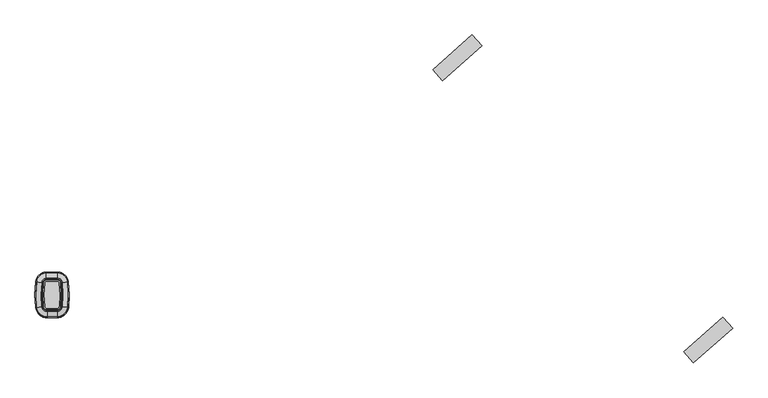
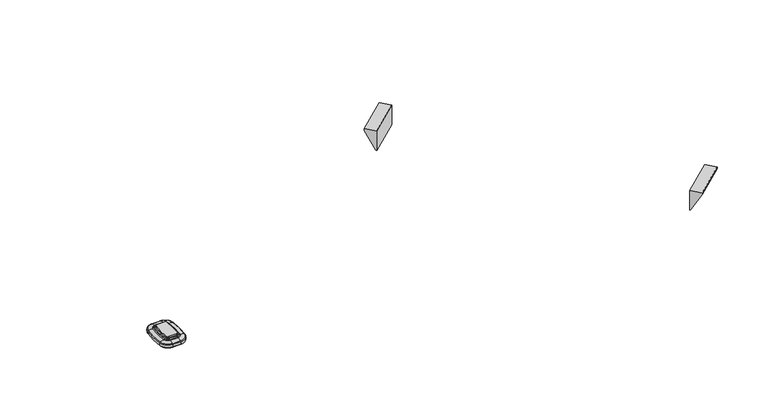
"""IFC4 building model written with IfcOpenShell, lengths in millimetres: furniture geometry."""

from ifc_helpers import new_model, si_unit, point, frame, frame_2d, origin, place, context, project, spatial, polyline, circle_curve, ellipse_curve, trimmed, segment, composite_curve, outline, extrude, source, transform, mapped, element, save
from ifc_brep_helpers import plane_surface, cylinder_surface, revolved_surface, advanced_brep


def furniture_e7726ca4(model_context):
    return source(origin(), model_context, "Body", "SolidModel", [
        extrude(outline(composite_curve([segment(trimmed(circle_curve(frame_2d((110.8919328, 22.1517971)), 199.9006328), [point((309.4794932, 45.0263214))], [point((309.691328, 1.1979559))], False, "CARTESIAN"), True, "CONTINUOUS"), segment(trimmed(circle_curve(frame_2d((305.902317, 1.597325)), 3.81), [point((309.691328, 1.1979559))], [point((305.902317, -2.212675))], False, "CARTESIAN"), True, "CONTINUOUS"), segment(polyline([(305.902317, -2.212675), (287.3891171, -2.212675)]), True, "CONTINUOUS"), segment(trimmed(circle_curve(frame_2d((287.3891171, 1.597325)), 3.81), [point((287.3891171, -2.212675))], [point((283.6001061, 1.1979559))], False, "CARTESIAN"), True, "CONTINUOUS"), segment(trimmed(circle_curve(frame_2d((482.3995013, 22.1517971)), 199.9006328), [point((283.6001061, 1.1979559))], [point((283.8119409, 45.0263214))], False, "CARTESIAN"), True, "CONTINUOUS"), segment(trimmed(circle_curve(frame_2d((286.3352566, 44.7356705)), 2.54), [point((283.8119409, 45.0263214))], [point((286.3352566, 47.2756705))], False, "CARTESIAN"), True, "CONTINUOUS"), segment(polyline([(286.3352566, 47.2756705), (306.9561775, 47.2756705)]), True, "CONTINUOUS"), segment(trimmed(circle_curve(frame_2d((306.9561775, 44.7356705)), 2.54), [point((306.9561775, 47.2756705))], [point((309.4794932, 45.0263214))], False, "CARTESIAN"), True, "CONTINUOUS")], self_intersect=False)), frame((0.0, 0.0, 672.8119265), z_axis=(0.0, 0.0, 1.0), x_axis=(1.0, 0.0, 0.0)), (0.0, 0.0, 1.0), 2.9994778),
        advanced_brep(
        [(306.9561775, 47.2756705, 656.31195), (309.4794932, 45.0263214, 656.31195), (309.4794932, 45.0263214, 672.8119265), (306.9561775, 47.2756705, 672.8119265), (306.9561775, 61.6387682, 658.0812486), (323.748245, 46.6698831, 658.0812486), (312.6507105, 45.3916015, 656.31195), (306.9561775, 50.4678562, 656.31195), (306.9561775, 63.9666749, 659.6109063), (326.0608606, 46.9362643, 659.6109063), (306.9561775, 64.8299386, 666.6416248), (326.9184538, 47.0350471, 666.6416248), (306.9561775, 63.4036717, 667.9423206), (325.5015555, 46.8718401, 667.9423206), (306.9561775, 54.0448489, 670.0447158), (316.2042074, 45.8009149, 670.0447158), (306.9561775, 52.2008481, 670.9842812), (314.372319, 45.5899069, 670.9842812), (306.9561775, 50.4678562, 672.8119265), (312.6507105, 45.3916015, 672.8119265), (286.3352566, 47.2756705, 672.8119265), (286.3352566, 47.2756705, 656.31195), (286.3352566, 50.4678562, 656.31195), (286.3352566, 61.6387682, 658.0812486), (286.3352566, 63.9666749, 659.6109063), (286.3352566, 64.8299386, 666.6416248), (286.3352566, 63.4036717, 667.9423206), (286.3352566, 54.0448489, 670.0447158), (286.3352566, 52.2008481, 670.9842812), (286.3352566, 50.4678562, 672.8119265), (283.8119409, 45.0263214, 656.31195), (283.8119409, 45.0263214, 672.8119265), (269.5431891, 46.6698831, 658.0812486), (280.6407236, 45.3916015, 656.31195), (267.2305735, 46.9362643, 659.6109063), (266.3729803, 47.0350471, 666.6416248), (267.7898786, 46.8718401, 667.9423206), (277.0872267, 45.8009149, 670.0447158), (278.9191151, 45.5899069, 670.9842812), (280.6407236, 45.3916015, 672.8119265), (283.6001061, 1.1979559, 656.31195), (283.6001061, 1.1979559, 672.8119265), (269.3161337, -0.3076025, 658.0812486), (280.425506, 0.8633469, 656.31195), (267.0010512, -0.5516166, 659.6109063), (266.1425432, -0.6421051, 666.6416248), (267.5609529, -0.4926019, 667.9423206), (276.8682186, 0.4884019, 670.0447158), (278.702061, 0.6816924, 670.9842812), (280.425506, 0.8633469, 672.8119265), (287.3891171, -2.212675, 656.31195), (287.3891171, -2.212675, 672.8119265), (287.3891171, -16.5757727, 658.0812486), (287.3891171, -5.4048607, 656.31195), (287.3891171, -18.9036794, 659.6109063), (287.3891171, -19.7669431, 666.6416248), (287.3891171, -18.3406761, 667.9423206), (287.3891171, -8.9818534, 670.0447158), (287.3891171, -7.1378525, 670.9842812), (287.3891171, -5.4048607, 672.8119265), (305.902317, -2.212675, 672.8119265), (305.902317, -2.212675, 656.31195), (305.902317, -5.4048607, 656.31195), (305.902317, -16.5757727, 658.0812486), (305.902317, -18.9036794, 659.6109063), (305.902317, -19.7669431, 666.6416248), (305.902317, -18.3406761, 667.9423206), (305.902317, -8.9818534, 670.0447158), (305.902317, -7.1378525, 670.9842812), (305.902317, -5.4048607, 672.8119265), (309.691328, 1.1979559, 656.31195), (309.691328, 1.1979559, 672.8119265), (323.9753005, -0.3076025, 658.0812486), (312.8659281, 0.8633469, 656.31195), (326.2903829, -0.5516166, 659.6109063), (327.1488909, -0.6421051, 666.6416248), (325.7304812, -0.4926019, 667.9423206), (316.4232155, 0.4884019, 670.0447158), (314.5893731, 0.6816924, 670.9842812), (312.8659281, 0.8633469, 672.8119265)],
        [
            (0, 1, circle_curve(frame((306.9561775, 44.7356705, 656.31195), z_axis=(0.0, 0.0, -1.0), x_axis=(0.9934313742949109, 0.11442947420365396, 0.0)), 2.54)),
            (1, 2),
            (2, 3, circle_curve(frame((306.9561775, 44.7356705, 672.8119265), z_axis=(0.0, 0.0, 1.0), x_axis=(0.9934313742949109, 0.11442947420365396, 0.0)), 2.54)),
            (3, 0),
            (4, 5, circle_curve(frame((306.9561775, 44.7356705, 658.0812486), z_axis=(0.0, 0.0, -1.0), x_axis=(0.9934313742949109, 0.11442947420365396, 0.0)), 16.9030977)),
            (5, 6, circle_curve(frame((312.6507105, 45.3916015, 692.4617807), z_axis=(-0.11442947420363782, 0.9934313742949128, 0.0), x_axis=(-0.9934313742949128, -0.11442947420363782, 0.0)), 36.1498307)),
            (6, 7, circle_curve(frame((306.9561775, 44.7356705, 656.31195), z_axis=(0.0, 0.0, 1.0), x_axis=(0.9934313742949109, 0.11442947420365396, 0.0)), 5.7321856)),
            (7, 4, circle_curve(frame((306.9561775, 50.4678562, 692.4617807), z_axis=(1.0, 0.0, 0.0), x_axis=(0.0, -1.0, 0.0)), 36.1498307)),
            (8, 9, circle_curve(frame((306.9561775, 44.7356705, 659.6109063), z_axis=(0.0, 0.0, -1.0), x_axis=(0.9934313742949109, 0.11442947420365396, 0.0)), 19.2310044)),
            (9, 5, circle_curve(frame((322.1288386, 46.48335, 663.0982238), z_axis=(-0.11442947420363782, 0.9934313742949128, 0.0), x_axis=(-0.9934313742949128, -0.11442947420363782, 0.0)), 5.2751599)),
            (4, 8, circle_curve(frame((306.9561775, 60.0086542, 663.0982238), z_axis=(1.0, 0.0, 0.0), x_axis=(0.0, -1.0, 0.0)), 5.2751599)),
            (10, 11, circle_curve(frame((306.9561775, 44.7356705, 666.6416248), z_axis=(0.0, 0.0, -1.0), x_axis=(0.9934313742949109, 0.11442947420365396, 0.0)), 20.0942681)),
            (11, 9, circle_curve(frame((313.9320465, 45.5391936, 664.6783413), z_axis=(-0.11442947420363782, 0.9934313742949128, 0.0), x_axis=(-0.9934313742949128, -0.11442947420363782, 0.0)), 13.2188817)),
            (8, 10, circle_curve(frame((306.9561775, 51.7576644, 664.6783413), z_axis=(1.0, 0.0, 0.0), x_axis=(0.0, -1.0, 0.0)), 13.2188817)),
            (12, 13, circle_curve(frame((306.9561775, 44.7356705, 667.9423206), z_axis=(0.0, 0.0, -1.0), x_axis=(0.9934313742949109, 0.11442947420365396, 0.0)), 18.6680011)),
            (13, 11, circle_curve(frame((324.2281502, 46.7251615, 665.1044178), z_axis=(-0.11442947420363782, 0.9934313742949128, 0.0), x_axis=(-0.9934313742949128, -0.11442947420363782, 0.0)), 3.1139634)),
            (10, 12, circle_curve(frame((306.9561775, 62.1218465, 665.1044178), z_axis=(1.0, 0.0, 0.0), x_axis=(0.0, -1.0, 0.0)), 3.1139634)),
            (14, 15, circle_curve(frame((306.9561775, 44.7356705, 670.0447158), z_axis=(0.0, 0.0, -1.0), x_axis=(0.9934313742949109, 0.11442947420365396, 0.0)), 9.3091784)),
            (15, 13, circle_curve(frame((315.7865162, 45.7528027, 646.2914467), z_axis=(-0.11442947420363782, 0.9934313742949128, 0.0), x_axis=(-0.9934313742949128, -0.11442947420363782, 0.0)), 23.7569901)),
            (12, 14, circle_curve(frame((306.9561775, 53.624396, 646.2914467), z_axis=(1.0, 0.0, 0.0), x_axis=(0.0, -1.0, 0.0)), 23.7569901)),
            (16, 17, circle_curve(frame((306.9561775, 44.7356705, 670.9842812), z_axis=(0.0, 0.0, -1.0), x_axis=(0.9934313742949109, 0.11442947420365396, 0.0)), 7.4651775)),
            (17, 15),
            (14, 16),
            (18, 19, circle_curve(frame((306.9561775, 44.7356705, 672.8119265), z_axis=(0.0, 0.0, -1.0), x_axis=(0.9934313742949109, 0.11442947420365396, 0.0)), 5.7321856)),
            (19, 17),
            (16, 18),
            (3, 20),
            (20, 21),
            (21, 0),
            (7, 22),
            (22, 23, circle_curve(frame((286.3352566, 50.4678562, 692.4617807), z_axis=(1.0, 0.0, 0.0), x_axis=(0.0, -1.0, 0.0)), 36.1498307)),
            (23, 4),
            (23, 24, circle_curve(frame((286.3352566, 60.0086542, 663.0982238), z_axis=(1.0, 0.0, 0.0), x_axis=(0.0, -1.0, 0.0)), 5.2751599)),
            (24, 8),
            (24, 25, circle_curve(frame((286.3352566, 51.7576644, 664.6783413), z_axis=(1.0, 0.0, 0.0), x_axis=(0.0, -1.0, 0.0)), 13.2188817)),
            (25, 10),
            (25, 26, circle_curve(frame((286.3352566, 62.1218465, 665.1044178), z_axis=(1.0, 0.0, 0.0), x_axis=(0.0, -1.0, 0.0)), 3.1139634)),
            (26, 12),
            (26, 27, circle_curve(frame((286.3352566, 53.624396, 646.2914467), z_axis=(1.0, 0.0, 0.0), x_axis=(0.0, -1.0, 0.0)), 23.7569901)),
            (27, 14),
            (27, 28),
            (28, 16),
            (28, 29),
            (29, 18),
            (30, 21, circle_curve(frame((286.3352566, 44.7356705, 656.31195), z_axis=(0.0, 0.0, -1.0), x_axis=(0.0, 1.0, 0.0)), 2.54)),
            (20, 31, circle_curve(frame((286.3352566, 44.7356705, 672.8119265), z_axis=(0.0, 0.0, 1.0), x_axis=(0.0, 1.0, 0.0)), 2.54)),
            (31, 30),
            (32, 23, circle_curve(frame((286.3352566, 44.7356705, 658.0812486), z_axis=(0.0, 0.0, -1.0), x_axis=(0.0, 1.0, 0.0)), 16.9030977)),
            (22, 33, circle_curve(frame((286.3352566, 44.7356705, 656.31195), z_axis=(0.0, 0.0, 1.0), x_axis=(0.0, 1.0, 0.0)), 5.7321856)),
            (33, 32, circle_curve(frame((280.6407236, 45.3916015, 692.4617807), z_axis=(0.1144294742036696, 0.993431374294909, 0.0), x_axis=(0.993431374294909, -0.1144294742036696, 0.0)), 36.1498307)),
            (34, 24, circle_curve(frame((286.3352566, 44.7356705, 659.6109063), z_axis=(0.0, 0.0, -1.0), x_axis=(0.0, 1.0, 0.0)), 19.2310044)),
            (32, 34, circle_curve(frame((271.1625955, 46.48335, 663.0982238), z_axis=(0.11442947420366893, 0.9934313742949091, 0.0), x_axis=(0.9934313742949091, -0.11442947420366893, 0.0)), 5.2751599)),
            (35, 25, circle_curve(frame((286.3352566, 44.7356705, 666.6416248), z_axis=(0.0, 0.0, -1.0), x_axis=(0.0, 1.0, 0.0)), 20.0942681)),
            (34, 35, circle_curve(frame((279.3593876, 45.5391936, 664.6783413), z_axis=(0.11442947420366871, 0.9934313742949091, 0.0), x_axis=(0.9934313742949091, -0.11442947420366871, 0.0)), 13.2188817)),
            (36, 26, circle_curve(frame((286.3352566, 44.7356705, 667.9423206), z_axis=(0.0, 0.0, -1.0), x_axis=(0.0, 1.0, 0.0)), 18.6680011)),
            (35, 36, circle_curve(frame((269.0632839, 46.7251615, 665.1044178), z_axis=(0.11442947420366871, 0.9934313742949091, 0.0), x_axis=(0.9934313742949091, -0.11442947420366871, 0.0)), 3.1139634)),
            (37, 27, circle_curve(frame((286.3352566, 44.7356705, 670.0447158), z_axis=(0.0, 0.0, -1.0), x_axis=(0.0, 1.0, 0.0)), 9.3091784)),
            (36, 37, circle_curve(frame((277.5049179, 45.7528027, 646.2914467), z_axis=(0.11442947420366871, 0.9934313742949091, 0.0), x_axis=(0.9934313742949091, -0.11442947420366871, 0.0)), 23.7569901)),
            (38, 28, circle_curve(frame((286.3352566, 44.7356705, 670.9842812), z_axis=(0.0, 0.0, -1.0), x_axis=(0.0, 1.0, 0.0)), 7.4651775)),
            (37, 38),
            (39, 29, circle_curve(frame((286.3352566, 44.7356705, 672.8119265), z_axis=(0.0, 0.0, -1.0), x_axis=(0.0, 1.0, 0.0)), 5.7321856)),
            (38, 39),
            (40, 30, circle_curve(frame((482.3995013, 22.1517971, 656.31195), z_axis=(0.0, 0.0, -1.0), x_axis=(-0.9934313742949111, 0.11442947420365215, 0.0)), 199.9006328)),
            (31, 41, circle_curve(frame((482.3995013, 22.1517971, 672.8119265), z_axis=(0.0, 0.0, 1.0), x_axis=(-0.9934313742949111, 0.11442947420365215, 0.0)), 199.9006328)),
            (41, 40),
            (42, 32, circle_curve(frame((482.3995013, 22.1517971, 658.0812486), z_axis=(0.0, 0.0, -1.0), x_axis=(-0.9934313742949111, 0.11442947420365215, 0.0)), 214.2637305)),
            (33, 43, circle_curve(frame((482.3995013, 22.1517971, 656.31195), z_axis=(0.0, 0.0, 1.0), x_axis=(-0.9934313742949111, 0.11442947420365215, 0.0)), 203.0928185)),
            (43, 42, circle_curve(frame((280.425506, 0.8633469, 692.4617807), z_axis=(-0.10482128506195004, 0.9944910749714959, 0.0), x_axis=(0.9944910749714959, 0.10482128506195004, 0.0)), 36.1498307)),
            (44, 34, circle_curve(frame((482.3995013, 22.1517971, 659.6109063), z_axis=(0.0, 0.0, -1.0), x_axis=(-0.9934313742949111, 0.11442947420365215, 0.0)), 216.5916372)),
            (42, 44, circle_curve(frame((270.9372675, -0.1367318, 663.0982238), z_axis=(-0.10482128506193344, 0.9944910749714977, 0.0), x_axis=(0.9944910749714977, 0.10482128506193344, 0.0)), 5.2751599)),
            (45, 35, circle_curve(frame((482.3995013, 22.1517971, 666.6416248), z_axis=(0.0, 0.0, -1.0), x_axis=(-0.9934313742949111, 0.11442947420365215, 0.0)), 217.4549009)),
            (44, 45, circle_curve(frame((279.1428032, 0.7281475, 664.6783413), z_axis=(-0.10482128506193016, 0.994491074971498, 0.0), x_axis=(0.994491074971498, 0.10482128506193016, 0.0)), 13.2188817)),
            (46, 36, circle_curve(frame((482.3995013, 22.1517971, 667.9423206), z_axis=(0.0, 0.0, -1.0), x_axis=(-0.9934313742949111, 0.11442947420365215, 0.0)), 216.0286339)),
            (45, 46, circle_curve(frame((268.8357166, -0.3582394, 665.1044178), z_axis=(-0.10482128506192903, 0.9944910749714981, 0.0), x_axis=(0.9944910749714981, 0.10482128506192903, 0.0)), 3.1139634)),
            (47, 37, circle_curve(frame((482.3995013, 22.1517971, 670.0447158), z_axis=(0.0, 0.0, -1.0), x_axis=(-0.9934313742949111, 0.11442947420365215, 0.0)), 206.6698112)),
            (46, 47, circle_curve(frame((277.2863554, 0.5324743, 646.2914467), z_axis=(-0.10482128506193096, 0.994491074971498, 0.0), x_axis=(0.994491074971498, 0.10482128506193096, 0.0)), 23.7569901)),
            (48, 38, circle_curve(frame((482.3995013, 22.1517971, 670.9842812), z_axis=(0.0, 0.0, -1.0), x_axis=(-0.9934313742949111, 0.11442947420365215, 0.0)), 204.8258103)),
            (47, 48),
            (49, 39, circle_curve(frame((482.3995013, 22.1517971, 672.8119265), z_axis=(0.0, 0.0, -1.0), x_axis=(-0.9934313742949111, 0.11442947420365215, 0.0)), 203.0928185)),
            (48, 49),
            (50, 40, circle_curve(frame((287.3891171, 1.597325, 656.31195), z_axis=(0.0, 0.0, -1.0), x_axis=(-0.9944910749715277, -0.1048212850616482, 0.0)), 3.81)),
            (41, 51, circle_curve(frame((287.3891171, 1.597325, 672.8119265), z_axis=(0.0, 0.0, 1.0), x_axis=(-0.9944910749715277, -0.1048212850616482, 0.0)), 3.81)),
            (51, 50),
            (52, 42, circle_curve(frame((287.3891171, 1.597325, 658.0812486), z_axis=(0.0, 0.0, -1.0), x_axis=(-0.9944910749715277, -0.1048212850616482, 0.0)), 18.1730977)),
            (43, 53, circle_curve(frame((287.3891171, 1.597325, 656.31195), z_axis=(0.0, 0.0, 1.0), x_axis=(-0.9944910749715277, -0.1048212850616482, 0.0)), 7.0021856)),
            (53, 52, circle_curve(frame((287.3891171, -5.4048607, 692.4617807), z_axis=(-1.0, 0.0, 0.0), x_axis=(0.0, 1.0, 0.0)), 36.1498307)),
            (54, 44, circle_curve(frame((287.3891171, 1.597325, 659.6109063), z_axis=(0.0, 0.0, -1.0), x_axis=(-0.9944910749715277, -0.1048212850616482, 0.0)), 20.5010044)),
            (52, 54, circle_curve(frame((287.3891171, -14.9456586, 663.0982238), z_axis=(-1.0, 0.0, 0.0), x_axis=(0.0, 1.0, 0.0)), 5.2751599)),
            (55, 45, circle_curve(frame((287.3891171, 1.597325, 666.6416248), z_axis=(0.0, 0.0, -1.0), x_axis=(-0.9944910749715277, -0.1048212850616482, 0.0)), 21.3642681)),
            (54, 55, circle_curve(frame((287.3891171, -6.6946689, 664.6783413), z_axis=(-1.0, 0.0, 0.0), x_axis=(0.0, 1.0, 0.0)), 13.2188817)),
            (56, 46, circle_curve(frame((287.3891171, 1.597325, 667.9423206), z_axis=(0.0, 0.0, -1.0), x_axis=(-0.9944910749715277, -0.1048212850616482, 0.0)), 19.9380011)),
            (55, 56, circle_curve(frame((287.3891171, -17.058851, 665.1044178), z_axis=(-1.0, 0.0, 0.0), x_axis=(0.0, 1.0, 0.0)), 3.1139634)),
            (57, 47, circle_curve(frame((287.3891171, 1.597325, 670.0447158), z_axis=(0.0, 0.0, -1.0), x_axis=(-0.9944910749715277, -0.1048212850616482, 0.0)), 10.5791784)),
            (56, 57, circle_curve(frame((287.3891171, -8.5614004, 646.2914467), z_axis=(-1.0, 0.0, 0.0), x_axis=(0.0, 1.0, 0.0)), 23.7569901)),
            (58, 48, circle_curve(frame((287.3891171, 1.597325, 670.9842812), z_axis=(0.0, 0.0, -1.0), x_axis=(-0.9944910749715277, -0.1048212850616482, 0.0)), 8.7351775)),
            (57, 58),
            (59, 49, circle_curve(frame((287.3891171, 1.597325, 672.8119265), z_axis=(0.0, 0.0, -1.0), x_axis=(-0.9944910749715277, -0.1048212850616482, 0.0)), 7.0021856)),
            (58, 59),
            (51, 60),
            (60, 61),
            (61, 50),
            (53, 62),
            (62, 63, circle_curve(frame((305.902317, -5.4048607, 692.4617807), z_axis=(-1.0, 0.0, 0.0), x_axis=(0.0, 1.0, 0.0)), 36.1498307)),
            (63, 52),
            (63, 64, circle_curve(frame((305.902317, -14.9456586, 663.0982238), z_axis=(-1.0, 0.0, 0.0), x_axis=(0.0, 1.0, 0.0)), 5.2751599)),
            (64, 54),
            (64, 65, circle_curve(frame((305.902317, -6.6946689, 664.6783413), z_axis=(-1.0, 0.0, 0.0), x_axis=(0.0, 1.0, 0.0)), 13.2188817)),
            (65, 55),
            (65, 66, circle_curve(frame((305.902317, -17.058851, 665.1044178), z_axis=(-1.0, 0.0, 0.0), x_axis=(0.0, 1.0, 0.0)), 3.1139634)),
            (66, 56),
            (66, 67, circle_curve(frame((305.902317, -8.5614004, 646.2914467), z_axis=(-1.0, 0.0, 0.0), x_axis=(0.0, 1.0, 0.0)), 23.7569901)),
            (67, 57),
            (67, 68),
            (68, 58),
            (68, 69),
            (69, 59),
            (70, 61, circle_curve(frame((305.902317, 1.597325, 656.31195), z_axis=(0.0, 0.0, -1.0), x_axis=(0.0, -1.0, 0.0)), 3.81)),
            (60, 71, circle_curve(frame((305.902317, 1.597325, 672.8119265), z_axis=(0.0, 0.0, 1.0), x_axis=(0.0, -1.0, 0.0)), 3.81)),
            (71, 70),
            (72, 63, circle_curve(frame((305.902317, 1.597325, 658.0812486), z_axis=(0.0, 0.0, -1.0), x_axis=(0.0, -1.0, 0.0)), 18.1730977)),
            (62, 73, circle_curve(frame((305.902317, 1.597325, 656.31195), z_axis=(0.0, 0.0, 1.0), x_axis=(0.0, -1.0, 0.0)), 7.0021856)),
            (73, 72, circle_curve(frame((312.8659281, 0.8633469, 692.4617807), z_axis=(-0.10482128506199419, -0.9944910749714913, 0.0), x_axis=(-0.9944910749714913, 0.10482128506199419, 0.0)), 36.1498307)),
            (74, 64, circle_curve(frame((305.902317, 1.597325, 659.6109063), z_axis=(0.0, 0.0, -1.0), x_axis=(0.0, -1.0, 0.0)), 20.5010044)),
            (72, 74, circle_curve(frame((322.3541666, -0.1367318, 663.0982238), z_axis=(-0.10482128506199397, -0.9944910749714913, 0.0), x_axis=(-0.9944910749714913, 0.10482128506199397, 0.0)), 5.2751599)),
            (75, 65, circle_curve(frame((305.902317, 1.597325, 666.6416248), z_axis=(0.0, 0.0, -1.0), x_axis=(0.0, -1.0, 0.0)), 21.3642681)),
            (74, 75, circle_curve(frame((314.1486309, 0.7281475, 664.6783413), z_axis=(-0.10482128506199374, -0.9944910749714913, 0.0), x_axis=(-0.9944910749714913, 0.10482128506199374, 0.0)), 13.2188817)),
            (76, 66, circle_curve(frame((305.902317, 1.597325, 667.9423206), z_axis=(0.0, 0.0, -1.0), x_axis=(0.0, -1.0, 0.0)), 19.9380011)),
            (75, 76, circle_curve(frame((324.4557175, -0.3582394, 665.1044178), z_axis=(-0.10482128506199374, -0.9944910749714913, 0.0), x_axis=(-0.9944910749714913, 0.10482128506199374, 0.0)), 3.1139634)),
            (77, 67, circle_curve(frame((305.902317, 1.597325, 670.0447158), z_axis=(0.0, 0.0, -1.0), x_axis=(0.0, -1.0, 0.0)), 10.5791784)),
            (76, 77, circle_curve(frame((316.0050788, 0.5324743, 646.2914467), z_axis=(-0.10482128506199374, -0.9944910749714913, 0.0), x_axis=(-0.9944910749714913, 0.10482128506199374, 0.0)), 23.7569901)),
            (78, 68, circle_curve(frame((305.902317, 1.597325, 670.9842812), z_axis=(0.0, 0.0, -1.0), x_axis=(0.0, -1.0, 0.0)), 8.7351775)),
            (77, 78),
            (79, 69, circle_curve(frame((305.902317, 1.597325, 672.8119265), z_axis=(0.0, 0.0, -1.0), x_axis=(0.0, -1.0, 0.0)), 7.0021856)),
            (78, 79),
            (1, 70, circle_curve(frame((110.8919328, 22.1517971, 656.31195), z_axis=(0.0, 0.0, -1.0), x_axis=(0.9944910749714929, -0.10482128506197756, 0.0)), 199.9006328)),
            (71, 2, circle_curve(frame((110.8919328, 22.1517971, 672.8119265), z_axis=(0.0, 0.0, 1.0), x_axis=(0.9944910749714929, -0.10482128506197756, 0.0)), 199.9006328)),
            (6, 73, circle_curve(frame((110.8919328, 22.1517971, 656.31195), z_axis=(0.0, 0.0, -1.0), x_axis=(0.9944910749714929, -0.10482128506197756, 0.0)), 203.0928185)),
            (5, 72, circle_curve(frame((110.8919328, 22.1517971, 658.0812486), z_axis=(0.0, 0.0, -1.0), x_axis=(0.9944910749714929, -0.10482128506197756, 0.0)), 214.2637305)),
            (9, 74, circle_curve(frame((110.8919328, 22.1517971, 659.6109063), z_axis=(0.0, 0.0, -1.0), x_axis=(0.9944910749714929, -0.10482128506197756, 0.0)), 216.5916372)),
            (11, 75, circle_curve(frame((110.8919328, 22.1517971, 666.6416248), z_axis=(0.0, 0.0, -1.0), x_axis=(0.9944910749714929, -0.10482128506197756, 0.0)), 217.4549009)),
            (13, 76, circle_curve(frame((110.8919328, 22.1517971, 667.9423206), z_axis=(0.0, 0.0, -1.0), x_axis=(0.9944910749714929, -0.10482128506197756, 0.0)), 216.0286339)),
            (15, 77, circle_curve(frame((110.8919328, 22.1517971, 670.0447158), z_axis=(0.0, 0.0, -1.0), x_axis=(0.9944910749714929, -0.10482128506197756, 0.0)), 206.6698112)),
            (17, 78, circle_curve(frame((110.8919328, 22.1517971, 670.9842812), z_axis=(0.0, 0.0, -1.0), x_axis=(0.9944910749714929, -0.10482128506197756, 0.0)), 204.8258103)),
            (19, 79, circle_curve(frame((110.8919328, 22.1517971, 672.8119265), z_axis=(0.0, 0.0, -1.0), x_axis=(0.9944910749714929, -0.10482128506197756, 0.0)), 203.0928185)),
        ],
        [
            revolved_surface(polyline([(309.4794931907091, 45.026321364477276, 672.8119265), (309.4794931907091, 45.026321364477276, 656.31195)]), (306.9561775, 44.7356705, 127.0), (0.0, 0.0, 1.0)),
            revolved_surface(trimmed(ellipse_curve(frame((312.6507105, 45.3916015, 692.4617807), z_axis=(0.11442947420363782, -0.9934313742949128, 0.0), x_axis=(-0.9934313742949128, -0.11442947420363782, 0.0)), 36.1498307, 36.1498307), [point((312.6507105, 45.3916015, 656.31195))], [point((323.748245, 46.6698831, 658.0812486))], True, "CARTESIAN"), (306.9561775, 44.7356705, 127.0), (0.0, 0.0, 1.0)),
            revolved_surface(trimmed(ellipse_curve(frame((322.1288386, 46.48335, 663.0982238), z_axis=(0.11442947420363782, -0.9934313742949128, 0.0), x_axis=(-0.9934313742949128, -0.11442947420363782, 0.0)), 5.2751599, 5.2751599), [point((323.748245, 46.6698831, 658.0812486))], [point((326.0608606, 46.9362643, 659.6109063))], True, "CARTESIAN"), (306.9561775, 44.7356705, 127.0), (0.0, 0.0, 1.0)),
            revolved_surface(trimmed(ellipse_curve(frame((313.9320465, 45.5391936, 664.6783413), z_axis=(0.11442947420363782, -0.9934313742949128, 0.0), x_axis=(-0.9934313742949128, -0.11442947420363782, 0.0)), 13.2188817, 13.2188817), [point((326.0608606, 46.9362643, 659.6109063))], [point((326.9184538, 47.0350471, 666.6416248))], True, "CARTESIAN"), (306.9561775, 44.7356705, 127.0), (0.0, 0.0, 1.0)),
            revolved_surface(trimmed(ellipse_curve(frame((324.2281502, 46.7251615, 665.1044178), z_axis=(0.11442947420363782, -0.9934313742949128, 0.0), x_axis=(-0.9934313742949128, -0.11442947420363782, 0.0)), 3.1139634, 3.1139634), [point((326.9184538, 47.0350471, 666.6416248))], [point((325.5015555, 46.8718401, 667.9423206))], True, "CARTESIAN"), (306.9561775, 44.7356705, 127.0), (0.0, 0.0, 1.0)),
            revolved_surface(trimmed(ellipse_curve(frame((315.7865162, 45.7528027, 646.2914467), z_axis=(0.11442947420363782, -0.9934313742949128, 0.0), x_axis=(-0.9934313742949128, -0.11442947420363782, 0.0)), 23.7569901, 23.7569901), [point((325.5015555, 46.8718401, 667.9423206))], [point((316.2042074, 45.8009149, 670.0447158))], True, "CARTESIAN"), (306.9561775, 44.7356705, 127.0), (0.0, 0.0, 1.0)),
            revolved_surface(polyline([(316.2042074, 45.8009149, 670.0447158), (314.372319, 45.5899069, 670.9842812)]), (306.9561775, 44.7356705, 127.0), (0.0, 0.0, 1.0)),
            revolved_surface(polyline([(314.372319, 45.5899069, 670.9842812), (312.6507105, 45.3916015, 672.8119265)]), (306.9561775, 44.7356705, 127.0), (0.0, 0.0, 1.0)),
            plane_surface(frame((306.9561775, 47.2756705, 672.8119265), z_axis=(0.0, -1.0, 0.0), x_axis=(-1.0, 0.0, 0.0))),
            cylinder_surface(frame((306.9561775, 50.4678562, 692.4617807), z_axis=(1.0, 0.0, 0.0), x_axis=(0.0, -1.0, 0.0)), 36.1498307),
            cylinder_surface(frame((306.9561775, 60.0086542, 663.0982238), z_axis=(1.0, 0.0, 0.0), x_axis=(0.0, -1.0, 0.0)), 5.2751599),
            cylinder_surface(frame((306.9561775, 51.7576644, 664.6783413), z_axis=(1.0, 0.0, 0.0), x_axis=(0.0, -1.0, 0.0)), 13.2188817),
            cylinder_surface(frame((306.9561775, 62.1218465, 665.1044178), z_axis=(1.0, 0.0, 0.0), x_axis=(0.0, -1.0, 0.0)), 3.1139634),
            cylinder_surface(frame((306.9561775, 53.624396, 646.2914467), z_axis=(1.0, 0.0, 0.0), x_axis=(0.0, -1.0, 0.0)), 23.7569901),
            plane_surface(frame((306.9561775, 54.0448489, 670.0447158), z_axis=(0.0, 0.45399049973953376, 0.8910065241883746), x_axis=(-1.0, 0.0, 0.0))),
            plane_surface(frame((306.9561775, 52.2008481, 670.9842812), z_axis=(0.0, 0.7256476472225023, 0.6880664881248375), x_axis=(-1.0, 0.0, 0.0))),
            revolved_surface(polyline([(286.3352566, 47.2756705, 672.8119265), (286.3352566, 47.2756705, 656.31195)]), (286.3352566, 44.7356705, 127.0), (0.0, 0.0, 1.0)),
            revolved_surface(trimmed(ellipse_curve(frame((286.3352566, 50.4678562, 692.4617807), z_axis=(1.0, 0.0, 0.0), x_axis=(0.0, -1.0, 0.0)), 36.1498307, 36.1498307), [point((286.3352566, 50.4678562, 656.31195))], [point((286.3352566, 61.6387682, 658.0812486))], True, "CARTESIAN"), (286.3352566, 44.7356705, 127.0), (0.0, 0.0, 1.0)),
            revolved_surface(trimmed(ellipse_curve(frame((286.3352566, 60.0086542, 663.0982238), z_axis=(1.0, 0.0, 0.0), x_axis=(0.0, -1.0, 0.0)), 5.2751599, 5.2751599), [point((286.3352566, 61.6387682, 658.0812486))], [point((286.3352566, 63.9666749, 659.6109063))], True, "CARTESIAN"), (286.3352566, 44.7356705, 127.0), (0.0, 0.0, 1.0)),
            revolved_surface(trimmed(ellipse_curve(frame((286.3352566, 51.7576644, 664.6783413), z_axis=(1.0, 0.0, 0.0), x_axis=(0.0, -1.0, 0.0)), 13.2188817, 13.2188817), [point((286.3352566, 63.9666749, 659.6109063))], [point((286.3352566, 64.8299386, 666.6416248))], True, "CARTESIAN"), (286.3352566, 44.7356705, 127.0), (0.0, 0.0, 1.0)),
            revolved_surface(trimmed(ellipse_curve(frame((286.3352566, 62.1218465, 665.1044178), z_axis=(1.0, 0.0, 0.0), x_axis=(0.0, -1.0, 0.0)), 3.1139634, 3.1139634), [point((286.3352566, 64.8299386, 666.6416248))], [point((286.3352566, 63.4036717, 667.9423206))], True, "CARTESIAN"), (286.3352566, 44.7356705, 127.0), (0.0, 0.0, 1.0)),
            revolved_surface(trimmed(ellipse_curve(frame((286.3352566, 53.624396, 646.2914467), z_axis=(1.0, 0.0, 0.0), x_axis=(0.0, -1.0, 0.0)), 23.7569901, 23.7569901), [point((286.3352566, 63.4036717, 667.9423206))], [point((286.3352566, 54.0448489, 670.0447158))], True, "CARTESIAN"), (286.3352566, 44.7356705, 127.0), (0.0, 0.0, 1.0)),
            revolved_surface(polyline([(286.3352566, 54.0448489, 670.0447158), (286.3352566, 52.2008481, 670.9842812)]), (286.3352566, 44.7356705, 127.0), (0.0, 0.0, 1.0)),
            revolved_surface(polyline([(286.3352566, 52.2008481, 670.9842812), (286.3352566, 50.4678562, 672.8119265)]), (286.3352566, 44.7356705, 127.0), (0.0, 0.0, 1.0)),
            revolved_surface(polyline([(283.8119409350736, 45.02632140428135, 672.8119265), (283.8119409350736, 45.02632140428135, 656.31195)]), (482.3995013, 22.1517971, 127.0), (0.0, 0.0, 1.0)),
            revolved_surface(trimmed(ellipse_curve(frame((280.6407236, 45.3916015, 692.4617807), z_axis=(0.11442947420366831, 0.9934313742949092, 0.0), x_axis=(0.9934313742949092, -0.11442947420366831, 0.0)), 36.1498307, 36.1498307), [point((280.6407236, 45.3916015, 656.31195))], [point((269.5431891, 46.6698831, 658.0812486))], True, "CARTESIAN"), (482.3995013, 22.1517971, 127.0), (0.0, 0.0, 1.0)),
            revolved_surface(trimmed(ellipse_curve(frame((271.1625955, 46.48335, 663.0982238), z_axis=(0.11442947420366831, 0.9934313742949092, 0.0), x_axis=(0.9934313742949092, -0.11442947420366831, 0.0)), 5.2751599, 5.2751599), [point((269.5431891, 46.6698831, 658.0812486))], [point((267.2305735, 46.9362643, 659.6109063))], True, "CARTESIAN"), (482.3995013, 22.1517971, 127.0), (0.0, 0.0, 1.0)),
            revolved_surface(trimmed(ellipse_curve(frame((279.3593876, 45.5391936, 664.6783413), z_axis=(0.11442947420366831, 0.9934313742949092, 0.0), x_axis=(0.9934313742949092, -0.11442947420366831, 0.0)), 13.2188817, 13.2188817), [point((267.2305735, 46.9362643, 659.6109063))], [point((266.3729803, 47.0350471, 666.6416248))], True, "CARTESIAN"), (482.3995013, 22.1517971, 127.0), (0.0, 0.0, 1.0)),
            revolved_surface(trimmed(ellipse_curve(frame((269.0632839, 46.7251615, 665.1044178), z_axis=(0.11442947420366831, 0.9934313742949092, 0.0), x_axis=(0.9934313742949092, -0.11442947420366831, 0.0)), 3.1139634, 3.1139634), [point((266.3729803, 47.0350471, 666.6416248))], [point((267.7898786, 46.8718401, 667.9423206))], True, "CARTESIAN"), (482.3995013, 22.1517971, 127.0), (0.0, 0.0, 1.0)),
            revolved_surface(trimmed(ellipse_curve(frame((277.5049179, 45.7528027, 646.2914467), z_axis=(0.11442947420366831, 0.9934313742949092, 0.0), x_axis=(0.9934313742949092, -0.11442947420366831, 0.0)), 23.7569901, 23.7569901), [point((267.7898786, 46.8718401, 667.9423206))], [point((277.0872267, 45.8009149, 670.0447158))], True, "CARTESIAN"), (482.3995013, 22.1517971, 127.0), (0.0, 0.0, 1.0)),
            revolved_surface(polyline([(277.0872267, 45.8009149, 670.0447158), (278.9191151, 45.5899069, 670.9842812)]), (482.3995013, 22.1517971, 127.0), (0.0, 0.0, 1.0)),
            revolved_surface(polyline([(278.9191151, 45.5899069, 670.9842812), (280.6407236, 45.3916015, 672.8119265)]), (482.3995013, 22.1517971, 127.0), (0.0, 0.0, 1.0)),
            revolved_surface(polyline([(283.6001061043585, 1.1979559039151204, 672.8119265), (283.6001061043585, 1.1979559039151204, 656.31195)]), (287.3891171, 1.597325, 127.0), (0.0, 0.0, 1.0)),
            revolved_surface(trimmed(ellipse_curve(frame((280.425506, 0.8633469, 692.4617807), z_axis=(-0.10482128506163199, 0.9944910749715293, 0.0), x_axis=(0.9944910749715293, 0.10482128506163199, 0.0)), 36.1498307, 36.1498307), [point((280.425506, 0.8633469, 656.31195))], [point((269.3161337, -0.3076025, 658.0812486))], True, "CARTESIAN"), (287.3891171, 1.597325, 127.0), (0.0, 0.0, 1.0)),
            revolved_surface(trimmed(ellipse_curve(frame((270.9372675, -0.1367318, 663.0982238), z_axis=(-0.10482128506163199, 0.9944910749715293, 0.0), x_axis=(0.9944910749715293, 0.10482128506163199, 0.0)), 5.2751599, 5.2751599), [point((269.3161337, -0.3076025, 658.0812486))], [point((267.0010512, -0.5516166, 659.6109063))], True, "CARTESIAN"), (287.3891171, 1.597325, 127.0), (0.0, 0.0, 1.0)),
            revolved_surface(trimmed(ellipse_curve(frame((279.1428032, 0.7281475, 664.6783413), z_axis=(-0.10482128506163199, 0.9944910749715293, 0.0), x_axis=(0.9944910749715293, 0.10482128506163199, 0.0)), 13.2188817, 13.2188817), [point((267.0010512, -0.5516166, 659.6109063))], [point((266.1425432, -0.6421051, 666.6416248))], True, "CARTESIAN"), (287.3891171, 1.597325, 127.0), (0.0, 0.0, 1.0)),
            revolved_surface(trimmed(ellipse_curve(frame((268.8357166, -0.3582394, 665.1044178), z_axis=(-0.10482128506163199, 0.9944910749715293, 0.0), x_axis=(0.9944910749715293, 0.10482128506163199, 0.0)), 3.1139634, 3.1139634), [point((266.1425432, -0.6421051, 666.6416248))], [point((267.5609529, -0.4926019, 667.9423206))], True, "CARTESIAN"), (287.3891171, 1.597325, 127.0), (0.0, 0.0, 1.0)),
            revolved_surface(trimmed(ellipse_curve(frame((277.2863554, 0.5324743, 646.2914467), z_axis=(-0.10482128506163199, 0.9944910749715293, 0.0), x_axis=(0.9944910749715293, 0.10482128506163199, 0.0)), 23.7569901, 23.7569901), [point((267.5609529, -0.4926019, 667.9423206))], [point((276.8682186, 0.4884019, 670.0447158))], True, "CARTESIAN"), (287.3891171, 1.597325, 127.0), (0.0, 0.0, 1.0)),
            revolved_surface(polyline([(276.8682186, 0.4884019, 670.0447158), (278.702061, 0.6816924, 670.9842812)]), (287.3891171, 1.597325, 127.0), (0.0, 0.0, 1.0)),
            revolved_surface(polyline([(278.702061, 0.6816924, 670.9842812), (280.425506, 0.8633469, 672.8119265)]), (287.3891171, 1.597325, 127.0), (0.0, 0.0, 1.0)),
            plane_surface(frame((287.3891171, -2.212675, 672.8119265), z_axis=(0.0, 1.0, 0.0), x_axis=(1.0, 0.0, 0.0))),
            cylinder_surface(frame((287.3891171, -5.4048607, 692.4617807), z_axis=(-1.0, 0.0, 0.0), x_axis=(0.0, 1.0, 0.0)), 36.1498307),
            cylinder_surface(frame((287.3891171, -14.9456586, 663.0982238), z_axis=(-1.0, 0.0, 0.0), x_axis=(0.0, 1.0, 0.0)), 5.2751599),
            cylinder_surface(frame((287.3891171, -6.6946689, 664.6783413), z_axis=(-1.0, 0.0, 0.0), x_axis=(0.0, 1.0, 0.0)), 13.2188817),
            cylinder_surface(frame((287.3891171, -17.058851, 665.1044178), z_axis=(-1.0, 0.0, 0.0), x_axis=(0.0, 1.0, 0.0)), 3.1139634),
            cylinder_surface(frame((287.3891171, -8.5614004, 646.2914467), z_axis=(-1.0, 0.0, 0.0), x_axis=(0.0, 1.0, 0.0)), 23.7569901),
            plane_surface(frame((287.3891171, -8.9818534, 670.0447158), z_axis=(0.0, -0.45399049973953376, 0.8910065241883744), x_axis=(1.0, 0.0, 0.0))),
            plane_surface(frame((287.3891171, -7.1378525, 670.9842812), z_axis=(0.0, -0.7256476472225023, 0.6880664881248375), x_axis=(1.0, 0.0, 0.0))),
            revolved_surface(polyline([(305.902317, -2.212675, 672.8119265), (305.902317, -2.212675, 656.31195)]), (305.902317, 1.597325, 127.0), (0.0, 0.0, 1.0)),
            revolved_surface(trimmed(ellipse_curve(frame((305.902317, -5.4048607, 692.4617807), z_axis=(-1.0, 0.0, 0.0), x_axis=(0.0, 1.0, 0.0)), 36.1498307, 36.1498307), [point((305.902317, -5.4048607, 656.31195))], [point((305.902317, -16.5757727, 658.0812486))], True, "CARTESIAN"), (305.902317, 1.597325, 127.0), (0.0, 0.0, 1.0)),
            revolved_surface(trimmed(ellipse_curve(frame((305.902317, -14.9456586, 663.0982238), z_axis=(-1.0, 0.0, 0.0), x_axis=(0.0, 1.0, 0.0)), 5.2751599, 5.2751599), [point((305.902317, -16.5757727, 658.0812486))], [point((305.902317, -18.9036794, 659.6109063))], True, "CARTESIAN"), (305.902317, 1.597325, 127.0), (0.0, 0.0, 1.0)),
            revolved_surface(trimmed(ellipse_curve(frame((305.902317, -6.6946689, 664.6783413), z_axis=(-1.0, 0.0, 0.0), x_axis=(0.0, 1.0, 0.0)), 13.2188817, 13.2188817), [point((305.902317, -18.9036794, 659.6109063))], [point((305.902317, -19.7669431, 666.6416248))], True, "CARTESIAN"), (305.902317, 1.597325, 127.0), (0.0, 0.0, 1.0)),
            revolved_surface(trimmed(ellipse_curve(frame((305.902317, -17.058851, 665.1044178), z_axis=(-1.0, 0.0, 0.0), x_axis=(0.0, 1.0, 0.0)), 3.1139634, 3.1139634), [point((305.902317, -19.7669431, 666.6416248))], [point((305.902317, -18.3406761, 667.9423206))], True, "CARTESIAN"), (305.902317, 1.597325, 127.0), (0.0, 0.0, 1.0)),
            revolved_surface(trimmed(ellipse_curve(frame((305.902317, -8.5614004, 646.2914467), z_axis=(-1.0, 0.0, 0.0), x_axis=(0.0, 1.0, 0.0)), 23.7569901, 23.7569901), [point((305.902317, -18.3406761, 667.9423206))], [point((305.902317, -8.9818534, 670.0447158))], True, "CARTESIAN"), (305.902317, 1.597325, 127.0), (0.0, 0.0, 1.0)),
            revolved_surface(polyline([(305.902317, -8.9818534, 670.0447158), (305.902317, -7.1378525, 670.9842812)]), (305.902317, 1.597325, 127.0), (0.0, 0.0, 1.0)),
            revolved_surface(polyline([(305.902317, -7.1378525, 670.9842812), (305.902317, -5.4048607, 672.8119265)]), (305.902317, 1.597325, 127.0), (0.0, 0.0, 1.0)),
            revolved_surface(polyline([(309.6913280007537, 1.1979558852014982, 672.8119265), (309.6913280007537, 1.1979558852014982, 656.31195)]), (110.8919328, 22.1517971, 127.0), (0.0, 0.0, 1.0)),
            plane_surface(frame((110.8919328, 22.1517971, 656.31195), z_axis=(0.0, 0.0, -1.0000000000000002), x_axis=(0.994491074971493, -0.10482128506197758, 0.0))),
            revolved_surface(trimmed(ellipse_curve(frame((312.8659281, 0.8633469, 692.4617807), z_axis=(-0.10482128506199377, -0.9944910749714913, 0.0), x_axis=(-0.9944910749714913, 0.10482128506199377, 0.0)), 36.1498307, 36.1498307), [point((312.8659281, 0.8633469, 656.31195))], [point((323.9753005, -0.3076025, 658.0812486))], True, "CARTESIAN"), (110.8919328, 22.1517971, 127.0), (0.0, 0.0, 1.0)),
            revolved_surface(trimmed(ellipse_curve(frame((322.3541666, -0.1367318, 663.0982238), z_axis=(-0.10482128506199377, -0.9944910749714913, 0.0), x_axis=(-0.9944910749714913, 0.10482128506199377, 0.0)), 5.2751599, 5.2751599), [point((323.9753005, -0.3076025, 658.0812486))], [point((326.2903829, -0.5516166, 659.6109063))], True, "CARTESIAN"), (110.8919328, 22.1517971, 127.0), (0.0, 0.0, 1.0)),
            revolved_surface(trimmed(ellipse_curve(frame((314.1486309, 0.7281475, 664.6783413), z_axis=(-0.10482128506199377, -0.9944910749714913, 0.0), x_axis=(-0.9944910749714913, 0.10482128506199377, 0.0)), 13.2188817, 13.2188817), [point((326.2903829, -0.5516166, 659.6109063))], [point((327.1488909, -0.6421051, 666.6416248))], True, "CARTESIAN"), (110.8919328, 22.1517971, 127.0), (0.0, 0.0, 1.0)),
            revolved_surface(trimmed(ellipse_curve(frame((324.4557175, -0.3582394, 665.1044178), z_axis=(-0.10482128506199377, -0.9944910749714913, 0.0), x_axis=(-0.9944910749714913, 0.10482128506199377, 0.0)), 3.1139634, 3.1139634), [point((327.1488909, -0.6421051, 666.6416248))], [point((325.7304812, -0.4926019, 667.9423206))], True, "CARTESIAN"), (110.8919328, 22.1517971, 127.0), (0.0, 0.0, 1.0)),
            revolved_surface(trimmed(ellipse_curve(frame((316.0050788, 0.5324743, 646.2914467), z_axis=(-0.10482128506199377, -0.9944910749714913, 0.0), x_axis=(-0.9944910749714913, 0.10482128506199377, 0.0)), 23.7569901, 23.7569901), [point((325.7304812, -0.4926019, 667.9423206))], [point((316.4232155, 0.4884019, 670.0447158))], True, "CARTESIAN"), (110.8919328, 22.1517971, 127.0), (0.0, 0.0, 1.0)),
            revolved_surface(polyline([(316.4232155, 0.4884019, 670.0447158), (314.5893731, 0.6816924, 670.9842812)]), (110.8919328, 22.1517971, 127.0), (0.0, 0.0, 1.0)),
            revolved_surface(polyline([(314.5893731, 0.6816924, 670.9842812), (312.8659281, 0.8633469, 672.8119265)]), (110.8919328, 22.1517971, 127.0), (0.0, 0.0, 1.0)),
            plane_surface(frame((110.8919328, 22.1517971, 672.8119265), z_axis=(0.0, 0.0, 1.0000000000000002), x_axis=(0.994491074971493, -0.10482128506197758, 0.0))),
        ],
        [
            (0, [[1, 2, 3, 4]]),
            (1, [[5, 6, 7, 8]]),
            (2, [[9, 10, -5, 11]]),
            (3, [[12, 13, -9, 14]]),
            (4, [[15, 16, -12, 17]]),
            (5, [[18, 19, -15, 20]]),
            (6, [[21, 22, -18, 23]]),
            (7, [[24, 25, -21, 26]]),
            (8, [[-4, 27, 28, 29]]),
            (9, [[-8, 30, 31, 32]]),
            (10, [[-11, -32, 33, 34]]),
            (11, [[-14, -34, 35, 36]]),
            (12, [[-17, -36, 37, 38]]),
            (13, [[-20, -38, 39, 40]]),
            (14, [[-23, -40, 41, 42]]),
            (15, [[-26, -42, 43, 44]]),
            (16, [[45, -28, 46, 47]]),
            (17, [[48, -31, 49, 50]]),
            (18, [[51, -33, -48, 52]]),
            (19, [[53, -35, -51, 54]]),
            (20, [[55, -37, -53, 56]]),
            (21, [[57, -39, -55, 58]]),
            (22, [[59, -41, -57, 60]]),
            (23, [[61, -43, -59, 62]]),
            (24, [[63, -47, 64, 65]]),
            (25, [[66, -50, 67, 68]]),
            (26, [[69, -52, -66, 70]]),
            (27, [[71, -54, -69, 72]]),
            (28, [[73, -56, -71, 74]]),
            (29, [[75, -58, -73, 76]]),
            (30, [[77, -60, -75, 78]]),
            (31, [[79, -62, -77, 80]]),
            (32, [[81, -65, 82, 83]]),
            (33, [[84, -68, 85, 86]]),
            (34, [[87, -70, -84, 88]]),
            (35, [[89, -72, -87, 90]]),
            (36, [[91, -74, -89, 92]]),
            (37, [[93, -76, -91, 94]]),
            (38, [[95, -78, -93, 96]]),
            (39, [[97, -80, -95, 98]]),
            (40, [[-83, 99, 100, 101]]),
            (41, [[-86, 102, 103, 104]]),
            (42, [[-88, -104, 105, 106]]),
            (43, [[-90, -106, 107, 108]]),
            (44, [[-92, -108, 109, 110]]),
            (45, [[-94, -110, 111, 112]]),
            (46, [[-96, -112, 113, 114]]),
            (47, [[-98, -114, 115, 116]]),
            (48, [[117, -100, 118, 119]]),
            (49, [[120, -103, 121, 122]]),
            (50, [[123, -105, -120, 124]]),
            (51, [[125, -107, -123, 126]]),
            (52, [[127, -109, -125, 128]]),
            (53, [[129, -111, -127, 130]]),
            (54, [[131, -113, -129, 132]]),
            (55, [[133, -115, -131, 134]]),
            (56, [[135, -119, 136, -2]]),
            (57, [[137, -121, -102, -85, -67, -49, -30, -7], [-101, -117, -135, -1, -29, -45, -63, -81]]),
            (58, [[138, -122, -137, -6]]),
            (59, [[139, -124, -138, -10]]),
            (60, [[140, -126, -139, -13]]),
            (61, [[141, -128, -140, -16]]),
            (62, [[142, -130, -141, -19]]),
            (63, [[143, -132, -142, -22]]),
            (64, [[144, -134, -143, -25]]),
            (65, [[-116, -133, -144, -24, -44, -61, -79, -97], [-136, -118, -99, -82, -64, -46, -27, -3]]),
        ],
    ),
        extrude(outline(composite_curve([segment(trimmed(circle_curve(frame_2d((110.8919328, 22.1517971)), 199.9006328), [point((309.4794932, 45.0263214))], [point((309.691328, 1.1979559))], False, "CARTESIAN"), True, "CONTINUOUS"), segment(trimmed(circle_curve(frame_2d((305.902317, 1.597325)), 3.81), [point((309.691328, 1.1979559))], [point((305.902317, -2.212675))], False, "CARTESIAN"), True, "CONTINUOUS"), segment(polyline([(305.902317, -2.212675), (287.3891171, -2.212675)]), True, "CONTINUOUS"), segment(trimmed(circle_curve(frame_2d((287.3891171, 1.597325)), 3.81), [point((287.3891171, -2.212675))], [point((283.6001061, 1.1979559))], False, "CARTESIAN"), True, "CONTINUOUS"), segment(trimmed(circle_curve(frame_2d((482.3995013, 22.1517971)), 199.9006328), [point((283.6001061, 1.1979559))], [point((283.8119409, 45.0263214))], False, "CARTESIAN"), True, "CONTINUOUS"), segment(trimmed(circle_curve(frame_2d((286.3352566, 44.7356705)), 2.54), [point((283.8119409, 45.0263214))], [point((286.3352566, 47.2756705))], False, "CARTESIAN"), True, "CONTINUOUS"), segment(polyline([(286.3352566, 47.2756705), (306.9561775, 47.2756705)]), True, "CONTINUOUS"), segment(trimmed(circle_curve(frame_2d((306.9561775, 44.7356705)), 2.54), [point((306.9561775, 47.2756705))], [point((309.4794932, 45.0263214))], False, "CARTESIAN"), True, "CONTINUOUS")], self_intersect=False)), frame((0.0, 0.0, 656.31195), z_axis=(0.0, 0.0, 1.0), x_axis=(1.0, 0.0, 0.0)), (0.0, 0.0, 1.0), 16.4999765),
        extrude(outline(composite_curve([segment(polyline([(-0.7635446, -2.8429297), (-43.8914929, 22.1243682)]), True, "CONTINUOUS"), segment(trimmed(circle_curve(frame_2d((-42.9412736, 23.7657558)), 1.8965942), [point((-43.8914929, 22.1243682))], [point((-44.8013506, 24.1361379))], False, "CARTESIAN"), True, "CONTINUOUS"), segment(polyline([(-44.8013506, 24.1361379), (3.7010668, 24.1361379), (3.7010668, -3.048), (0.0, -3.048)]), True, "CONTINUOUS"), segment(trimmed(circle_curve(frame_2d((0.0, -1.524)), 1.524), [point((0.0, -3.048))], [point((-0.7635446, -2.8429297))], False, "CARTESIAN"), True, "CONTINUOUS")], self_intersect=False)), frame((1007.0404333, 438.6295266, 672.1103375), z_axis=(0.7472578877897539, 0.6645341594952029, 0.0), x_axis=(0.0, 0.0, 1.0)), (0.0, 0.0, 1.0), 97.4054697),
        extrude(outline(composite_curve([segment(trimmed(circle_curve(frame_2d((49.833582, -1.524)), 1.524), [point((49.833582, 0.0))], [point((50.5971265, -0.2050703))], False, "CARTESIAN"), True, "CONTINUOUS"), segment(polyline([(50.5971265, -0.2050703), (53.8001758, -2.0593548), (40.1805554, -25.5855804), (-1.7953505, -1.2852138)]), True, "CONTINUOUS"), segment(trimmed(circle_curve(frame_2d((0.0, -1.8965942)), 1.8965942), [point((-1.7953505, -1.2852138))], [point((0.0, 0.0))], False, "CARTESIAN"), True, "CONTINUOUS"), segment(polyline([(0.0, 0.0), (49.833582, 0.0)]), True, "CONTINUOUS")], self_intersect=False)), frame((1472.7052463, -85.0030067, 628.2188446), z_axis=(0.7472578877897493, 0.664534159495208, 0.0), x_axis=(0.3329405941614104, -0.37438629993303413, 0.8654394601483684)), (0.0, 0.0, 1.0), 97.4054697),
    ])


if __name__ == "__main__":
    model = new_model("IFC4")
    model_context = context("Model", 3, world=origin())
    ifc_project = project(units=[si_unit("LENGTHUNIT", "METRE", prefix="MILLI")], contexts=[model_context])
    site = spatial("IfcSite", under=ifc_project)
    building = spatial("IfcBuilding", under=site)
    placement = place(None, origin())
    furniture_shape = furniture_e7726ca4(model_context)
    element("IfcFurniture", 1, at=placement, inside=building, context=model_context, shape_type="MappedRepresentation", body=[
        mapped(furniture_shape, transform((0.0, 0.0, 0.0), x_axis=(1.0, 0.0, 0.0), y_axis=(0.0, 1.0, 0.0), z_axis=(0.0, 0.0, 1.0))),
    ])
    save(model, "model.ifc")
